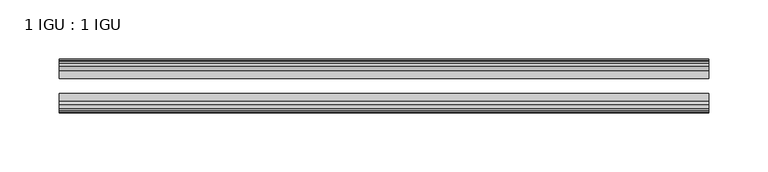
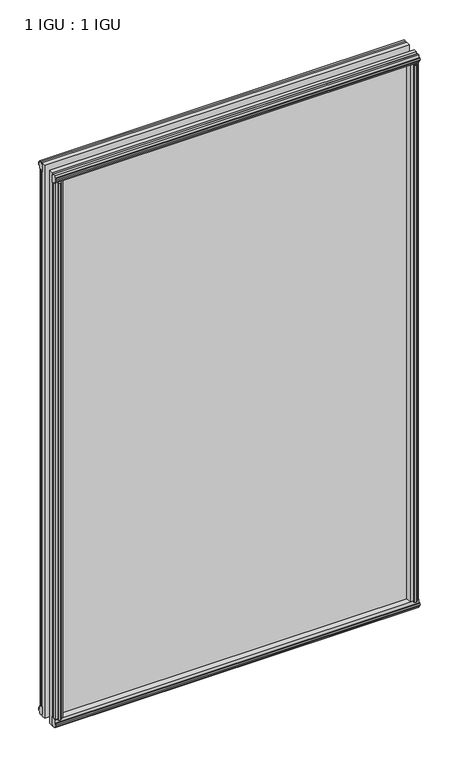
"""IFC4 building model written with IfcOpenShell, lengths in millimetres: plate geometry, 1 IGU : 1 IGU."""

from ifc_helpers import new_model, si_unit, frame, origin, origin_with_axes, place, context, project, spatial, polyline, outline, extrude, source, transform, mapped, element, save


def plate_1_igu_1_igu_be820a96(model_context):
    return source(origin(), model_context, "Body", "SweptSolid", [
        extrude(outline(polyline([(258.7705472, -19.5460937), (260.8758243, -13.1960937), (266.0830187, -13.1960937), (266.4640187, -10.8158968), (265.0484897, -11.27583), (265.0484897, -10.4746158), (267.2260187, -9.7670937), (269.4035478, -10.4746158), (269.4035478, -11.27583), (267.9880187, -10.8158968), (268.3690187, -13.1960937), (272.8140187, -13.1960937), (272.8140187, -16.1419073), (270.6009412, -19.5460937), (258.7705472, -19.5460937)])), origin_with_axes(), (0.0, 0.0, 1.0), 850.9),
        extrude(outline(polyline([(-258.7705472, -19.5460937), (-270.6009412, -19.5460937), (-272.8140187, -16.1419073), (-272.8140187, -13.1960937), (-268.3690187, -13.1960937), (-267.9880187, -10.8158968), (-269.4035478, -11.27583), (-269.4035478, -10.4746158), (-267.2260187, -9.7670937), (-265.0484897, -10.4746158), (-265.0484897, -11.27583), (-266.4640187, -10.8158968), (-266.0830187, -13.1960937), (-260.8758243, -13.1960937), (-258.7705472, -19.5460937)])), origin_with_axes(), (0.0, 0.0, 1.0), 850.9),
        extrude(outline(polyline([(-16.1419073, -12.4576852), (-19.5460937, -10.2446077), (-19.5460937, 1.5857863), (-13.1960937, -0.5194908), (-13.1960937, -5.7266852), (-10.8158968, -6.1076852), (-11.27583, -4.6921562), (-10.4746158, -4.6921562), (-9.7670937, -6.8696852), (-10.4746158, -9.0472143), (-11.27583, -9.0472143), (-10.8158968, -7.6316852), (-13.1960937, -8.0126852), (-13.1960937, -12.4576852), (-16.1419073, -12.4576852)])), frame((-273.0563335, 0.0, 0.0), z_axis=(1.0, 0.0, 0.0), x_axis=(0.0, 1.0, 0.0)), (0.0, 0.0, 1.0), 546.112667),
        extrude(outline(polyline([(-48.3502802, -11.938), (-51.2960937, -11.938), (-51.2960937, -7.493), (-53.6762907, -7.112), (-53.2163575, -8.5275291), (-54.0175717, -8.5275291), (-54.7250937, -6.35), (-54.0175717, -4.172471), (-53.2163575, -4.172471), (-53.6762907, -5.588), (-51.2960937, -5.207), (-51.2960937, 0.0001944), (-44.9460937, 2.1054715), (-44.9460937, -9.7249225), (-48.3502802, -11.938)])), frame((-273.0563335, 0.0, 0.0), z_axis=(1.0, 0.0, 0.0), x_axis=(0.0, 1.0, 0.0)), (0.0, 0.0, 1.0), 546.112667),
        extrude(outline(polyline([(-16.1028367, 863.3576852), (-13.1960937, 863.3576852), (-13.1960937, 858.9126852), (-10.8158968, 858.5316852), (-11.27583, 859.9472143), (-10.4746158, 859.9472143), (-9.7670937, 857.7696852), (-10.4746158, 855.5921562), (-11.27583, 855.5921562), (-10.8158968, 857.0076852), (-13.1960937, 856.6266852), (-13.1960937, 851.3940908), (-19.5460937, 849.2888137), (-19.5460937, 861.1192077), (-16.1028367, 863.3576852)])), frame((-273.0563335, 0.0, 0.0), z_axis=(1.0, 0.0, 0.0), x_axis=(0.0, 1.0, 0.0)), (0.0, 0.0, 1.0), 546.112667),
        extrude(outline(polyline([(-48.3893508, 862.8126), (-44.9460937, 860.5741225), (-44.9460937, 848.7437285), (-51.2960937, 850.8490056), (-51.2960937, 856.0816), (-53.6762907, 856.4626), (-53.2163575, 855.047071), (-54.0175717, 855.047071), (-54.7250938, 857.2246), (-54.0175717, 859.4021291), (-53.2163575, 859.4021291), (-53.6762907, 857.9866), (-51.2960937, 858.3676), (-51.2960937, 862.8126), (-48.3893508, 862.8126)])), frame((-273.0563335, 0.0, 0.0), z_axis=(1.0, 0.0, 0.0), x_axis=(0.0, 1.0, 0.0)), (0.0, 0.0, 1.0), 546.112667),
        extrude(outline(polyline([(-258.250862, -44.9460938), (-260.3561391, -51.2960938), (-265.5633335, -51.2960938), (-265.9443335, -53.6762907), (-264.5288044, -53.2163575), (-264.5288044, -54.0175717), (-266.7063335, -54.7250938), (-268.8838625, -54.0175717), (-268.8838625, -53.2163575), (-267.4683335, -53.6762907), (-267.8493335, -51.2960938), (-272.2943335, -51.2960938), (-272.2943335, -48.3502802), (-270.081256, -44.9460938), (-258.250862, -44.9460938)])), origin_with_axes(), (0.0, 0.0, 1.0), 850.9),
        extrude(outline(polyline([(258.250862, -44.9460938), (270.081256, -44.9460938), (272.2943335, -48.3502802), (272.2943335, -51.2960938), (267.8493335, -51.2960938), (267.4683335, -53.6762907), (268.8838625, -53.2163575), (268.8838625, -54.0175717), (266.7063335, -54.7250938), (264.5288044, -54.0175717), (264.5288044, -53.2163575), (265.9443335, -53.6762907), (265.5633335, -51.2960938), (260.3561391, -51.2960938), (258.250862, -44.9460938)])), origin_with_axes(), (0.0, 0.0, 1.0), 850.9),
        extrude(outline(polyline([(273.0563335, -19.5460937), (273.0563335, -25.8337453), (-273.0563335, -25.8337453), (-273.0563335, -19.5460937), (273.0563335, -19.5460937)])), frame((0.0, 0.0, -12.7), z_axis=(0.0, 0.0, 1.0), x_axis=(1.0, 0.0, 0.0)), (0.0, 0.0, 1.0), 876.2872998),
        extrude(outline(polyline([(-273.0563335, -44.9460937), (-273.0563335, -38.6468938), (273.0563335, -38.6468938), (273.0563335, -44.9460937), (-273.0563335, -44.9460937)])), frame((0.0, 0.0, -12.7), z_axis=(0.0, 0.0, 1.0), x_axis=(1.0, 0.0, 0.0)), (0.0, 0.0, 1.0), 876.2872998),
    ])


if __name__ == "__main__":
    model = new_model("IFC4")
    model_context = context("Model", 3, world=origin())
    ifc_project = project(units=[si_unit("LENGTHUNIT", "METRE", prefix="MILLI")], contexts=[model_context])
    site = spatial("IfcSite", under=ifc_project)
    building = spatial("IfcBuilding", under=site)
    placement = place(None, origin())
    plate_1_igu_1_igu_shape = plate_1_igu_1_igu_be820a96(model_context)
    element("IfcPlate", 1, ObjectType="1 IGU : 1 IGU", at=placement, inside=building, context=model_context, shape_type="MappedRepresentation", body=[
        mapped(plate_1_igu_1_igu_shape, transform((0.0, 0.0, 0.0), x_axis=(1.0, 0.0, 0.0), y_axis=(0.0, 1.0, 0.0), z_axis=(0.0, 0.0, 1.0))),
    ])
    save(model, "model.ifc")
